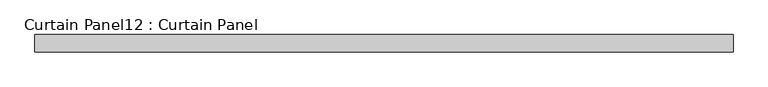
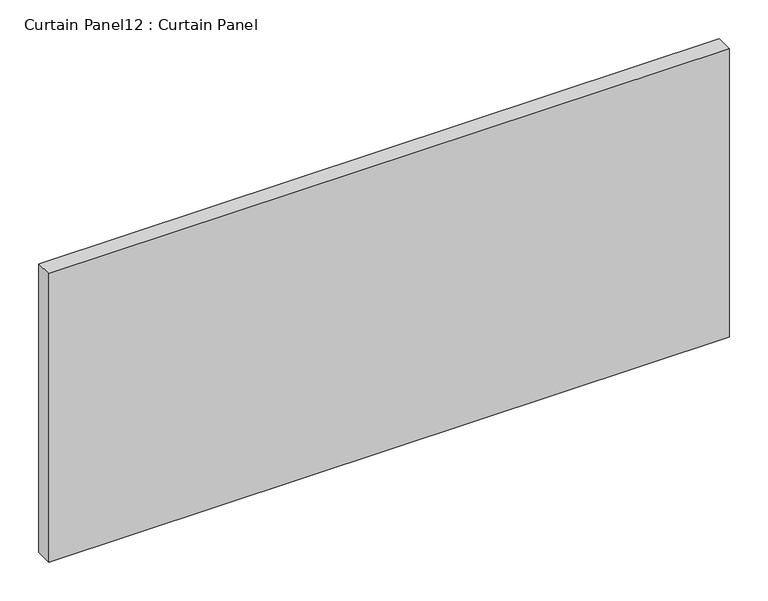
"""IFC4 building model written with IfcOpenShell, lengths in millimetres: plate geometry, Curtain Panel12 : Curtain Panel."""

from ifc_helpers import new_model, si_unit, frame, origin, place, context, project, spatial, polyline, outline, extrude, source, transform, mapped, element, save


def curtain_panel12_curtain_panel_321f4ab6(model_context):
    return source(origin(), model_context, "Body", "SweptSolid", [
        extrude(outline(polyline([(1424.4627701, 3568.3617926), (412.2571839, 3568.3617926), (412.2571839, 3593.7617926), (1424.4627701, 3593.7617926), (1424.4627701, 3568.3617926)])), frame((0.0, 0.0, 2554.3849564), z_axis=(0.0, 0.0, 1.0), x_axis=(1.0, 0.0, 0.0)), (0.0, 0.0, 1.0), 453.8164186),
    ])


if __name__ == "__main__":
    model = new_model("IFC4")
    model_context = context("Model", 3, world=origin())
    ifc_project = project(units=[si_unit("LENGTHUNIT", "METRE", prefix="MILLI")], contexts=[model_context])
    site = spatial("IfcSite", under=ifc_project)
    building = spatial("IfcBuilding", under=site)
    placement = place(None, origin())
    curtain_panel12_curtain_panel_shape = curtain_panel12_curtain_panel_321f4ab6(model_context)
    element("IfcPlate", 1, ObjectType="Curtain Panel12 : Curtain Panel", at=placement, inside=building, context=model_context, shape_type="MappedRepresentation", body=[
        mapped(curtain_panel12_curtain_panel_shape, transform((0.0, 0.0, 0.0), x_axis=(1.0, 0.0, 0.0), y_axis=(0.0, 1.0, 0.0), z_axis=(0.0, 0.0, 1.0))),
    ])
    save(model, "model.ifc")
